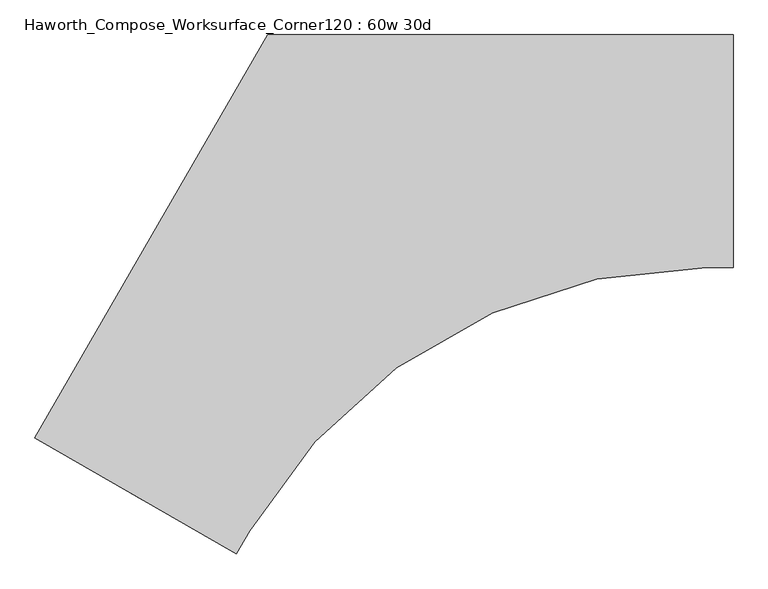
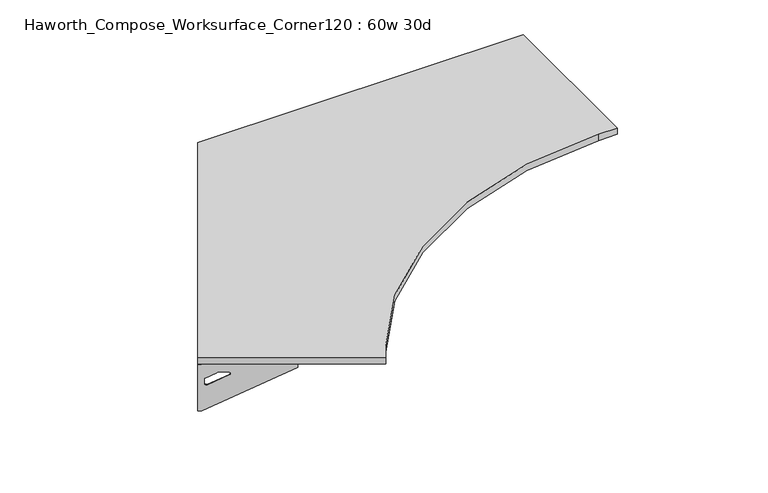
"""IFC4 building model written with IfcOpenShell, lengths in millimetres: furniture geometry, Haworth_Compose_Worksurface_Corner120 : 60w 30d."""

from ifc_helpers import new_model, si_unit, point, frame, frame_2d, origin, place, context, project, spatial, polyline, circle_curve, trimmed, segment, composite_curve, outline, extrude, source, transform, mapped, element, save
from ifc_brep_helpers import plane_surface, revolved_surface, advanced_brep


def haworth_compose_worksurface_corner120_60w_30d_ccb3b165(model_context):
    return source(origin(), model_context, "Body", "SolidModel", [
        advanced_brep(
        [(759.61875, 304.8, 473.86875), (759.61875, 288.925, 473.86875), (759.61875, -101.6, 690.1317568), (759.61875, -101.6, 702.46875), (759.61875, 288.925, 702.46875), (759.61875, 304.8, 702.46875), (759.61875, 221.490072, 664.36875), (759.61875, 177.8355284, 664.36875), (759.61875, 175.1564235, 654.7830539), (759.61875, 266.8776173, 603.9901439), (759.61875, 276.225, 609.5881969), (759.61875, 276.225, 633.0985246), (759.61875, 274.4730055, 635.9367776), (759.61875, 224.5663437, 663.5738425), (762.0, 304.8, 473.86875), (762.0, 304.8, 702.46875), (762.0, 288.925, 702.46875), (762.0, 288.925, 704.85), (762.0, -101.6, 704.85), (762.0, -101.6, 690.1317568), (762.0, 288.925, 473.86875), (762.0, 221.490072, 664.36875), (762.0, 224.5663437, 663.5738425), (762.0, 274.4730055, 635.9367776), (762.0, 276.225, 633.0985246), (762.0, 276.225, 609.5881969), (762.0, 266.8776173, 603.9901439), (762.0, 175.1564235, 654.7830539), (762.0, 177.8355284, 664.36875), (720.725, -101.6, 704.85), (720.725, -101.6, 702.46875), (720.725, 288.925, 702.46875), (720.725, 288.925, 704.85)],
        [
            (0, 1),
            (1, 2),
            (2, 3),
            (3, 4),
            (4, 5),
            (5, 0),
            (6, 7),
            (7, 8, circle_curve(frame((759.61875, 177.8355284, 659.2015106), z_axis=(1.0, 0.0, 0.0), x_axis=(0.0, -1.0, 0.0)), 5.1672394)),
            (8, 9),
            (9, 10, circle_curve(frame((759.61875, 269.875, 609.5881969), z_axis=(1.0, 0.0, 0.0), x_axis=(0.0, -1.0, 0.0)), 6.35)),
            (10, 11),
            (11, 12, circle_curve(frame((759.61875, 273.05, 633.0985246), z_axis=(1.0, 0.0, 0.0), x_axis=(0.0, -1.0, 0.0)), 3.175)),
            (12, 13),
            (13, 6, circle_curve(frame((759.61875, 221.490072, 658.01875), z_axis=(1.0, 0.0, 0.0), x_axis=(0.0, -1.0, 0.0)), 6.35)),
            (14, 15),
            (15, 16),
            (16, 17),
            (17, 18),
            (18, 19),
            (19, 20),
            (20, 14),
            (21, 22, circle_curve(frame((762.0, 221.490072, 658.01875), z_axis=(-1.0, 0.0, 0.0), x_axis=(0.0, -1.0, 0.0)), 6.35)),
            (22, 23),
            (23, 24, circle_curve(frame((762.0, 273.05, 633.0985246), z_axis=(-1.0, 0.0, 0.0), x_axis=(0.0, -1.0, 0.0)), 3.175)),
            (24, 25),
            (25, 26, circle_curve(frame((762.0, 269.875, 609.5881969), z_axis=(-1.0, 0.0, 0.0), x_axis=(0.0, -1.0, 0.0)), 6.35)),
            (26, 27),
            (27, 28, circle_curve(frame((762.0, 177.8355284, 659.2015106), z_axis=(-1.0, 0.0, 0.0), x_axis=(0.0, -1.0, 0.0)), 5.1672394)),
            (28, 21),
            (4, 16),
            (15, 5),
            (14, 0),
            (20, 1),
            (19, 2),
            (18, 29),
            (29, 30),
            (30, 3),
            (6, 21),
            (28, 7),
            (9, 26),
            (25, 10),
            (24, 11),
            (23, 12),
            (27, 8),
            (31, 4),
            (30, 31),
            (32, 29),
            (17, 32),
            (31, 32),
            (22, 13),
        ],
        [
            plane_surface(frame((759.61875, 304.8, 473.86875), z_axis=(-1.0, 0.0, 0.0), x_axis=(0.0, 1.0, 0.0))),
            plane_surface(frame((762.0, 304.8, 473.86875), z_axis=(1.0, 0.0, 0.0), x_axis=(0.0, -1.0, 0.0))),
            plane_surface(frame((762.0, -101.6, 702.46875), z_axis=(0.0, 0.0, 1.0), x_axis=(-1.0, 0.0, 0.0))),
            plane_surface(frame((762.0, 304.8, 702.46875), z_axis=(0.0, 1.0, 0.0), x_axis=(-1.0, 0.0, 0.0))),
            plane_surface(frame((762.0, 304.8, 473.86875), z_axis=(0.0, 0.0, -1.0), x_axis=(-1.0, 0.0, 0.0))),
            plane_surface(frame((762.0, 288.925, 473.86875), z_axis=(0.0, -0.4844522351345575, -0.8748177135112957), x_axis=(-1.0, 0.0, 0.0))),
            plane_surface(frame((762.0, -101.6, 690.1317568), z_axis=(0.0, -1.0, 0.0), x_axis=(-1.0, 0.0, 0.0))),
            plane_surface(frame((762.0, 221.490072, 664.36875), z_axis=(0.0, 0.0, -1.0), x_axis=(-1.0, 0.0, 0.0))),
            revolved_surface(polyline([(759.61875, 263.525, 609.5881969), (762.0, 263.525, 609.5881969)]), (762.0, 269.875, 609.5881969), (-1.0, 0.0, 0.0)),
            plane_surface(frame((762.0, 276.225, 609.5881969), z_axis=(0.0, -1.0, 0.0), x_axis=(-1.0, 0.0, 0.0))),
            revolved_surface(polyline([(759.61875, 269.875, 633.0985246), (762.0, 269.875, 633.0985246)]), (762.0, 273.05, 633.0985246), (-1.0, 0.0, 0.0)),
            revolved_surface(polyline([(759.61875, 172.668289, 659.2015106), (762.0, 172.668289, 659.2015106)]), (762.0, 177.8355284, 659.2015106), (-1.0, 0.0, 0.0)),
            plane_surface(frame((762.0, 288.925, 702.46875), z_axis=(0.0, 0.0, -1.0), x_axis=(-1.0, 0.0, 0.0))),
            plane_surface(frame((762.0, 288.925, 704.85), z_axis=(0.0, 0.0, 1.0), x_axis=(1.0, 0.0, 0.0))),
            plane_surface(frame((720.725, 288.925, 704.85), z_axis=(0.0, 1.0, 0.0), x_axis=(0.0, 0.0, -1.0))),
            plane_surface(frame((720.725, -101.6, 704.85), z_axis=(-1.0, 0.0, 0.0), x_axis=(0.0, 0.0, -1.0))),
            plane_surface(frame((762.0, 175.1564235, 654.7830539), z_axis=(0.0, 0.4844522351341526, 0.8748177135115199), x_axis=(-1.0, 0.0, 0.0))),
            plane_surface(frame((762.0, 274.4730055, 635.9367776), z_axis=(0.0, -0.48445223513456226, -0.874817713511293), x_axis=(-1.0, 0.0, 0.0))),
            revolved_surface(polyline([(759.61875, 215.140072, 658.01875), (762.0, 215.140072, 658.01875)]), (762.0, 221.490072, 658.01875), (-1.0, 0.0, 0.0)),
        ],
        [
            (0, [[1, 2, 3, 4, 5, 6], [7, 8, 9, 10, 11, 12, 13, 14]]),
            (1, [[15, 16, 17, 18, 19, 20, 21], [22, 23, 24, 25, 26, 27, 28, 29]]),
            (2, [[-5, 30, -16, 31]]),
            (3, [[-31, -15, 32, -6]]),
            (4, [[-32, -21, 33, -1]]),
            (5, [[-33, -20, 34, -2]]),
            (6, [[-34, -19, 35, 36, 37, -3]]),
            (7, [[38, -29, 39, -7]]),
            (8, [[40, -26, 41, -10]]),
            (9, [[-41, -25, 42, -11]]),
            (10, [[-42, -24, 43, -12]]),
            (11, [[-39, -28, 44, -8]]),
            (12, [[45, -4, -37, 46]]),
            (13, [[47, -35, -18, 48]]),
            (14, [[-17, -30, -45, 49, -48]]),
            (15, [[-36, -47, -49, -46]]),
            (16, [[-44, -27, -40, -9]]),
            (17, [[-43, -23, 50, -13]]),
            (18, [[-50, -22, -38, -14]]),
        ],
    ),
        advanced_brep(
        [(-1522.809375, -1012.9604924, 473.86875), (-1522.809375, -1012.9604924, 702.46875), (-1509.0612217, -1020.8979924, 702.46875), (-1170.8566509, -1216.1604924, 702.46875), (-1170.8566509, -1216.1604924, 690.1317568), (-1509.0612217, -1020.8979924, 473.86875), (-1450.660861, -1054.6154564, 664.36875), (-1453.3249904, -1053.0773205, 663.5738425), (-1496.5454274, -1028.1239896, 635.9367776), (-1498.0626991, -1027.2479924, 633.0985246), (-1498.0626991, -1027.2479924, 609.5881969), (-1489.9676282, -1031.9216837, 603.9901439), (-1410.5347443, -1077.7822806, 654.7830539), (-1412.8549172, -1076.4427282, 664.36875), (-1524.0, -1015.0227154, 473.86875), (-1510.2518467, -1022.9602154, 473.86875), (-1172.0472759, -1218.2227154, 690.1317568), (-1172.0472759, -1218.2227154, 704.85), (-1510.2518467, -1022.9602154, 704.85), (-1510.2518467, -1022.9602154, 702.46875), (-1524.0, -1015.0227154, 702.46875), (-1451.851486, -1056.6776794, 664.36875), (-1414.0455422, -1078.5049512, 664.36875), (-1411.7253693, -1079.8445036, 654.7830539), (-1491.1582532, -1033.9839067, 603.9901439), (-1499.2533241, -1029.3102154, 609.5881969), (-1499.2533241, -1029.3102154, 633.0985246), (-1497.7360524, -1030.1862126, 635.9367776), (-1454.5156154, -1055.1395435, 663.5738425), (-1151.4097759, -1182.4775168, 702.46875), (-1151.4097759, -1182.4775168, 704.85), (-1489.6143467, -987.2150168, 702.46875), (-1489.6143467, -987.2150168, 704.85)],
        [
            (0, 1),
            (1, 2),
            (2, 3),
            (3, 4),
            (4, 5),
            (5, 0),
            (6, 7, circle_curve(frame((-1450.660861, -1054.6154564, 658.01875), z_axis=(-0.5000000000000026, -0.8660254037844374, 0.0), x_axis=(0.8660254037844372, -0.5000000000000024, 0.0)), 6.35)),
            (7, 8),
            (8, 9, circle_curve(frame((-1495.3130684, -1028.8354924, 633.0985246), z_axis=(-0.5000000000000026, -0.8660254037844374, 0.0), x_axis=(0.8660254037844372, -0.5000000000000024, 0.0)), 3.175)),
            (9, 10),
            (10, 11, circle_curve(frame((-1492.5634378, -1030.4229924, 609.5881969), z_axis=(-0.5000000000000026, -0.8660254037844374, 0.0), x_axis=(0.8660254037844372, -0.5000000000000024, 0.0)), 6.35)),
            (11, 12),
            (12, 13, circle_curve(frame((-1412.8549172, -1076.4427282, 659.2015106), z_axis=(-0.5000000000000026, -0.8660254037844374, 0.0), x_axis=(0.8660254037844372, -0.5000000000000024, 0.0)), 5.1672394)),
            (13, 6),
            (14, 15),
            (15, 16),
            (16, 17),
            (17, 18),
            (18, 19),
            (19, 20),
            (20, 14),
            (21, 22),
            (22, 23, circle_curve(frame((-1414.0455422, -1078.5049512, 659.2015106), z_axis=(0.5000000000000026, 0.8660254037844374, 0.0), x_axis=(0.8660254037844372, -0.5000000000000024, 0.0)), 5.1672394)),
            (23, 24),
            (24, 25, circle_curve(frame((-1493.7540628, -1032.4852154, 609.5881969), z_axis=(0.5000000000000026, 0.8660254037844374, 0.0), x_axis=(0.8660254037844372, -0.5000000000000024, 0.0)), 6.35)),
            (25, 26),
            (26, 27, circle_curve(frame((-1496.5036934, -1030.8977154, 633.0985246), z_axis=(0.5000000000000026, 0.8660254037844374, 0.0), x_axis=(0.8660254037844372, -0.5000000000000024, 0.0)), 3.175)),
            (27, 28),
            (28, 21, circle_curve(frame((-1451.851486, -1056.6776794, 658.01875), z_axis=(0.5000000000000026, 0.8660254037844374, 0.0), x_axis=(0.8660254037844372, -0.5000000000000024, 0.0)), 6.35)),
            (1, 20),
            (19, 2),
            (0, 14),
            (5, 15),
            (4, 16),
            (3, 29),
            (29, 30),
            (30, 17),
            (13, 22),
            (21, 6),
            (10, 25),
            (24, 11),
            (9, 26),
            (8, 27),
            (12, 23),
            (31, 29),
            (2, 31),
            (32, 18),
            (30, 32),
            (32, 31),
            (7, 28),
        ],
        [
            plane_surface(frame((-1522.809375, -1012.9604924, 473.86875), z_axis=(0.5000000000000026, 0.8660254037844373, 0.0), x_axis=(-0.8660254037844373, 0.5000000000000026, 0.0))),
            plane_surface(frame((-1524.0, -1015.0227154, 473.86875), z_axis=(-0.5000000000000026, -0.8660254037844373, 0.0), x_axis=(0.8660254037844373, -0.5000000000000026, 0.0))),
            plane_surface(frame((-1172.0472759, -1218.2227154, 702.46875), z_axis=(0.0, 0.0, 1.0), x_axis=(0.5000000000000011, 0.866025403784438, 0.0))),
            plane_surface(frame((-1524.0, -1015.0227154, 702.46875), z_axis=(-0.866025403784438, 0.5000000000000011, 0.0), x_axis=(0.5000000000000011, 0.866025403784438, 0.0))),
            plane_surface(frame((-1524.0, -1015.0227154, 473.86875), z_axis=(0.0, 0.0, -1.0), x_axis=(0.5000000000000011, 0.866025403784438, 0.0))),
            plane_surface(frame((-1510.2518467, -1022.9602154, 473.86875), z_axis=(0.41954794254667943, -0.24222611756727808, -0.8748177135112957), x_axis=(0.5000000000000011, 0.866025403784438, 0.0))),
            plane_surface(frame((-1172.0472759, -1218.2227154, 690.1317568), z_axis=(0.866025403784438, -0.5000000000000011, 0.0), x_axis=(0.5000000000000011, 0.866025403784438, 0.0))),
            plane_surface(frame((-1451.851486, -1056.6776794, 664.36875), z_axis=(0.0, 0.0, -1.0), x_axis=(0.5000000000000011, 0.866025403784438, 0.0))),
            revolved_surface(polyline([(-1487.0641764519498, -1033.5979923483158, 609.5881969), (-1488.2548014859688, -1035.6602154, 609.5881969)]), (-1493.7540628, -1032.4852154, 609.5881969), (0.5000000000000024, 0.8660254037844372, 0.0)),
            plane_surface(frame((-1499.2533241, -1029.3102154, 609.5881969), z_axis=(0.866025403784438, -0.5000000000000011, 0.0), x_axis=(0.5000000000000011, 0.866025403784438, 0.0))),
            revolved_surface(polyline([(-1492.56343773985, -1030.4229924018098, 633.0985246), (-1493.7540627537305, -1032.485215418613, 633.0985246)]), (-1496.5036934, -1030.8977154, 633.0985246), (0.5000000000000024, 0.8660254037844372, 0.0)),
            revolved_surface(polyline([(-1408.3799565880802, -1079.0263478655236, 659.2015106), (-1409.5705816121642, -1081.0885709000001, 659.2015106)]), (-1414.0455422, -1078.5049512, 659.2015106), (0.5000000000000024, 0.8660254037844372, 0.0)),
            plane_surface(frame((-1510.2518467, -1022.9602154, 702.46875), z_axis=(0.0, 0.0, -1.0), x_axis=(0.5000000000000011, 0.866025403784438, 0.0))),
            plane_surface(frame((-1510.2518467, -1022.9602154, 704.85), z_axis=(0.0, 0.0, 1.0), x_axis=(-0.5000000000000011, -0.866025403784438, 0.0))),
            plane_surface(frame((-1489.6143467, -987.2150168, 704.85), z_axis=(-0.866025403784438, 0.5000000000000011, 0.0), x_axis=(0.0, 0.0, -1.0))),
            plane_surface(frame((-1151.4097759, -1182.4775168, 704.85), z_axis=(0.5000000000000011, 0.866025403784438, 0.0), x_axis=(0.0, 0.0, -1.0))),
            plane_surface(frame((-1411.7253693, -1079.8445036, 654.7830539), z_axis=(-0.41954794254632877, 0.24222611756707563, 0.87481771351152), x_axis=(0.5000000000000011, 0.866025403784438, 0.0))),
            plane_surface(frame((-1497.7360524, -1030.1862126, 635.9367776), z_axis=(0.4195479425466836, -0.24222611756728046, -0.874817713511293), x_axis=(0.5000000000000011, 0.866025403784438, 0.0))),
            revolved_surface(polyline([(-1445.161599650898, -1057.790456346494, 658.01875), (-1446.3522246859688, -1059.8526794, 658.01875)]), (-1451.851486, -1056.6776794, 658.01875), (0.5000000000000024, 0.8660254037844372, 0.0)),
        ],
        [
            (0, [[1, 2, 3, 4, 5, 6], [7, 8, 9, 10, 11, 12, 13, 14]]),
            (1, [[15, 16, 17, 18, 19, 20, 21], [22, 23, 24, 25, 26, 27, 28, 29]]),
            (2, [[30, -20, 31, -2]]),
            (3, [[-1, 32, -21, -30]]),
            (4, [[-6, 33, -15, -32]]),
            (5, [[-5, 34, -16, -33]]),
            (6, [[-4, 35, 36, 37, -17, -34]]),
            (7, [[-14, 38, -22, 39]]),
            (8, [[-11, 40, -25, 41]]),
            (9, [[-10, 42, -26, -40]]),
            (10, [[-9, 43, -27, -42]]),
            (11, [[-13, 44, -23, -38]]),
            (12, [[45, -35, -3, 46]]),
            (13, [[47, -18, -37, 48]]),
            (14, [[-47, 49, -46, -31, -19]]),
            (15, [[-45, -49, -48, -36]]),
            (16, [[-12, -41, -24, -44]]),
            (17, [[-8, 50, -28, -43]]),
            (18, [[-7, -39, -29, -50]]),
        ],
    ),
        extrude(outline(composite_curve([segment(polyline([(-1524.0, -1015.0227154), (-762.0, 304.8), (762.0, 304.8), (762.0, -457.2), (675.1402901, -457.2)]), True, "CONTINUOUS"), segment(trimmed(circle_curve(frame_2d((675.1402901, -2184.4)), 1727.2), [point((675.1402901, -457.2))], [point((-820.6587873, -1320.8))], True, "CARTESIAN"), True, "CONTINUOUS"), segment(polyline([(-820.6587873, -1320.8), (-864.0886423, -1396.0227154), (-1524.0, -1015.0227154)]), True, "CONTINUOUS")], self_intersect=False)), frame((0.0, 0.0, 706.4375), z_axis=(0.0, 0.0, 1.0), x_axis=(1.0, 0.0, 0.0)), (0.0, 0.0, 1.0), 30.1625),
    ])


if __name__ == "__main__":
    model = new_model("IFC4")
    model_context = context("Model", 3, world=origin())
    ifc_project = project(units=[si_unit("LENGTHUNIT", "METRE", prefix="MILLI")], contexts=[model_context])
    site = spatial("IfcSite", under=ifc_project)
    building = spatial("IfcBuilding", under=site)
    placement = place(None, origin())
    haworth_compose_worksurface_corner120_60w_30d_shape = haworth_compose_worksurface_corner120_60w_30d_ccb3b165(model_context)
    element("IfcFurniture", 1, ObjectType="Haworth_Compose_Worksurface_Corner120 : 60w 30d", at=placement, inside=building, context=model_context, shape_type="MappedRepresentation", body=[
        mapped(haworth_compose_worksurface_corner120_60w_30d_shape, transform((0.0, 0.0, 0.0), x_axis=(1.0, 0.0, 0.0), y_axis=(0.0, 1.0, 0.0), z_axis=(0.0, 0.0, 1.0))),
    ])
    save(model, "model.ifc")
